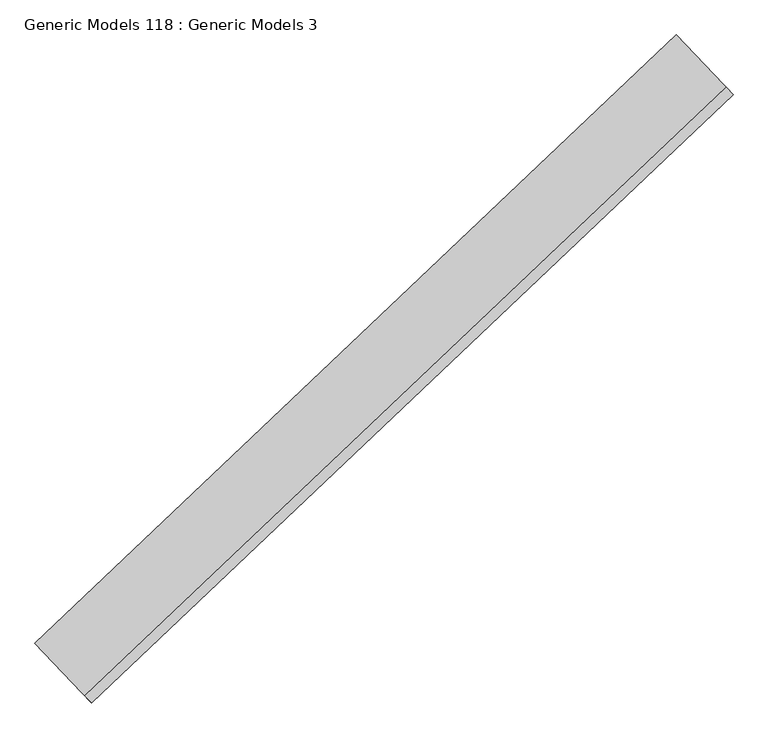
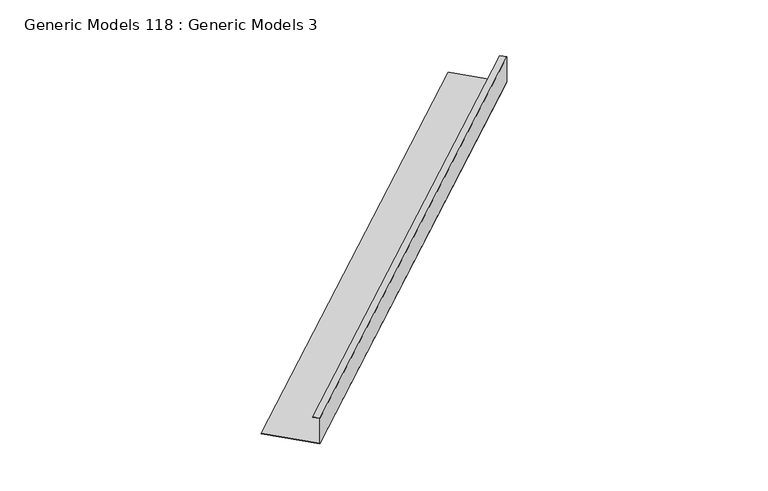
"""IFC4 building model written with IfcOpenShell, lengths in millimetres: proxy geometry, Generic Models 118 : Generic Models 3."""

from ifc_helpers import new_model, si_unit, frame, origin, place, context, project, spatial, polyline, outline, extrude, source, transform, mapped, element, save


def generic_models_118_generic_models_3_2fcd8871(model_context):
    return source(origin(), model_context, "Body", "SweptSolid", [
        extrude(outline(polyline([(479.1261778, 0.0), (479.1261778, 419.7705757), (480.7136778, 419.7705757), (480.7136778, -1.5875), (267.1877015, -1.5875), (267.1877015, 50.0381648), (268.7752015, 50.0381648), (268.7752015, 0.0), (479.1261778, 0.0)])), frame((101897.0216602, 42652.1991116, 17668.5689515), z_axis=(0.7253743710122986, 0.6883545756937424, 0.0), x_axis=(0.0, 0.0, -1.0)), (0.0, 0.0, 1.0), 4530.725),
    ])


if __name__ == "__main__":
    model = new_model("IFC4")
    model_context = context("Model", 3, world=origin())
    ifc_project = project(units=[si_unit("LENGTHUNIT", "METRE", prefix="MILLI")], contexts=[model_context])
    site = spatial("IfcSite", under=ifc_project)
    building = spatial("IfcBuilding", under=site)
    placement = place(None, origin())
    generic_models_118_generic_models_3_shape = generic_models_118_generic_models_3_2fcd8871(model_context)
    element("IfcBuildingElementProxy", 1, Name="Generic Models 118 : Generic Models 3", ObjectType="Generic Models 118 : Generic Models 3", at=placement, inside=building, context=model_context, shape_type="MappedRepresentation", body=[
        mapped(generic_models_118_generic_models_3_shape, transform((0.0, 0.0, 0.0), x_axis=(1.0, 0.0, 0.0), y_axis=(0.0, 1.0, 0.0), z_axis=(0.0, 0.0, 1.0))),
    ])
    save(model, "model.ifc")
